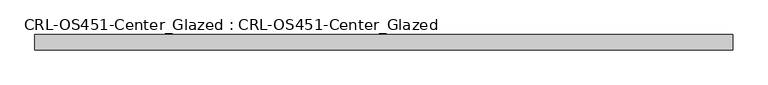
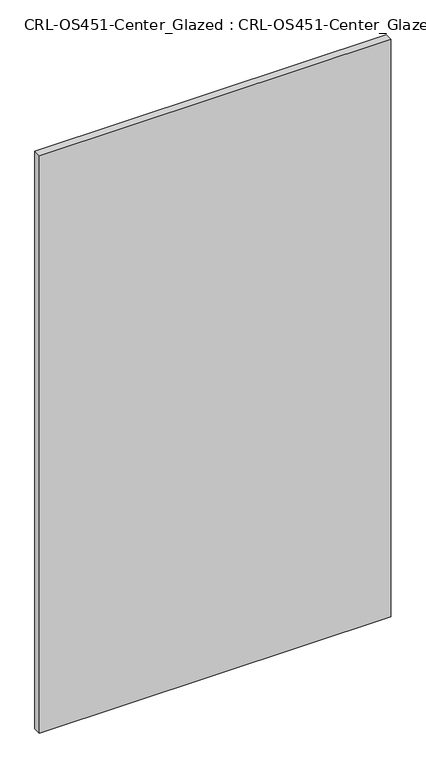
"""IFC4 building model written with IfcOpenShell, lengths in millimetres: plate geometry, CRL-OS451-Center_Glazed : CRL-OS451-Center_Glazed."""

from ifc_helpers import new_model, si_unit, origin, origin_with_axes, place, context, project, spatial, polyline, outline, extrude, source, transform, mapped, element, save


def crl_os451_center_glazed_crl_os451_center_glazed_974f6c5f(model_context):
    return source(origin(), model_context, "Body", "SweptSolid", [
        extrude(outline(polyline([(-585.4813478, 12.709956), (585.4813478, 12.709956), (585.4813478, -12.709956), (-585.4813478, -12.709956), (-585.4813478, 12.709956)])), origin_with_axes(), (0.0, 0.0, 1.0), 2033.8986269),
    ])


if __name__ == "__main__":
    model = new_model("IFC4")
    model_context = context("Model", 3, world=origin())
    ifc_project = project(units=[si_unit("LENGTHUNIT", "METRE", prefix="MILLI")], contexts=[model_context])
    site = spatial("IfcSite", under=ifc_project)
    building = spatial("IfcBuilding", under=site)
    placement = place(None, origin())
    crl_os451_center_glazed_crl_os451_center_glazed_shape = crl_os451_center_glazed_crl_os451_center_glazed_974f6c5f(model_context)
    element("IfcPlate", 1, ObjectType="CRL-OS451-Center_Glazed : CRL-OS451-Center_Glazed", at=placement, inside=building, context=model_context, shape_type="MappedRepresentation", body=[
        mapped(crl_os451_center_glazed_crl_os451_center_glazed_shape, transform((0.0, 0.0, 0.0), x_axis=(1.0, 0.0, 0.0), y_axis=(0.0, 1.0, 0.0), z_axis=(0.0, 0.0, 1.0))),
    ])
    save(model, "model.ifc")
